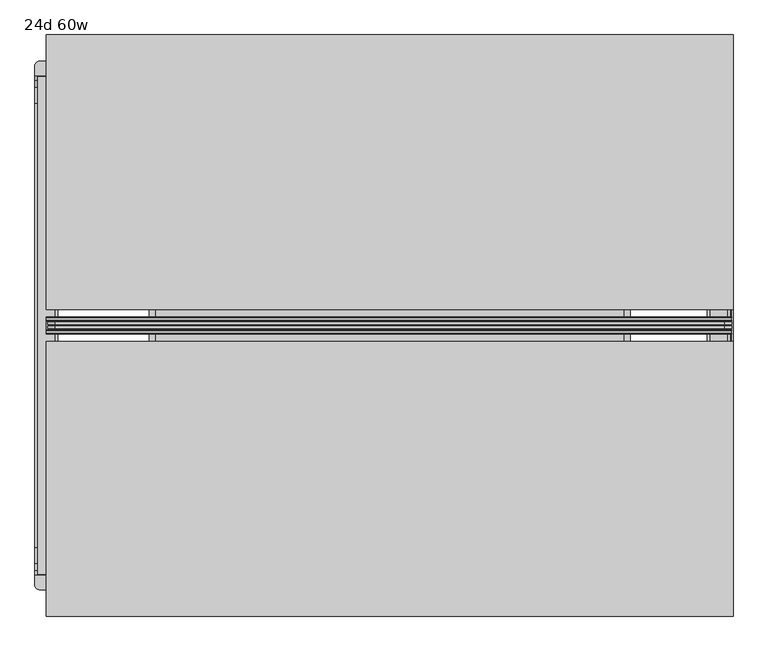
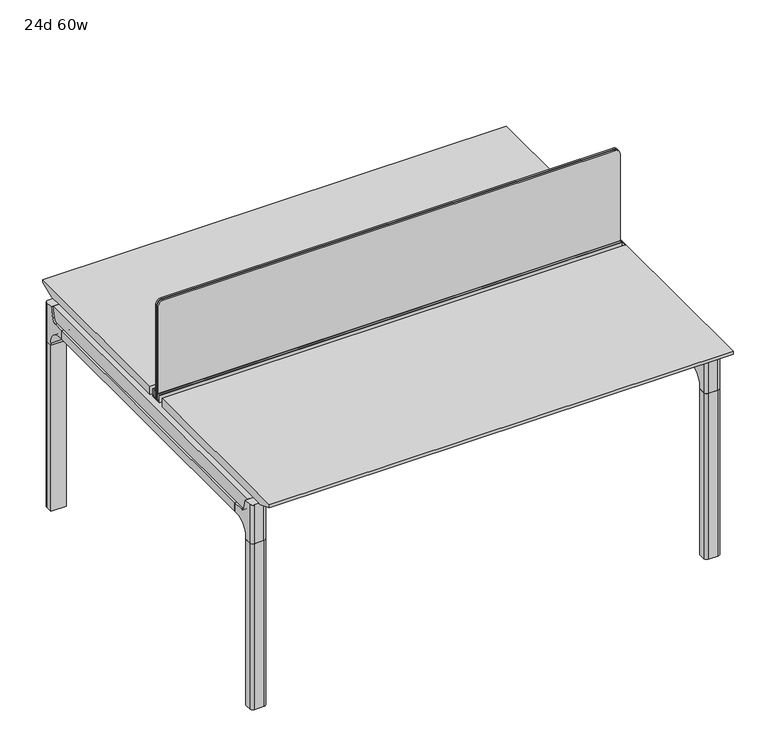
"""IFC4 building model written with IfcOpenShell, lengths in millimetres: furniture geometry, 24d 60w."""

from ifc_helpers import new_model, si_unit, point, frame, frame_2d, origin, place, context, project, spatial, polyline, circle_curve, trimmed, segment, composite_curve, outline, extrude, source, transform, mapped, element, save
from ifc_brep_helpers import plane_surface, cylinder_surface, revolved_surface, advanced_brep


def furniture_24d_60w_1c8fc8bb(model_context):
    return source(origin(), model_context, "Body", "SolidModel", [
        extrude(outline(composite_curve([segment(polyline([(1054.89375, 955.675), (1054.89375, -523.875)]), True, "CONTINUOUS"), segment(trimmed(circle_curve(frame_2d((1039.01875, -523.875)), 15.875), [point((1054.89375, -523.875))], [point((1039.01875, -539.75))], False, "CARTESIAN"), True, "CONTINUOUS"), segment(polyline([(1039.01875, -539.75), (720.725, -539.75), (720.725, 971.55), (1039.01875, 971.55)]), True, "CONTINUOUS"), segment(trimmed(circle_curve(frame_2d((1039.01875, 955.675)), 15.875), [point((1039.01875, 971.55))], [point((1054.89375, 955.675))], False, "CARTESIAN"), True, "CONTINUOUS")], self_intersect=False)), frame((0.0, -201.3409766, 0.0), z_axis=(0.0, 1.0, 0.0), x_axis=(0.0, 0.0, 1.0)), (0.0, 0.0, 1.0), 3.175),
        extrude(outline(composite_curve([segment(polyline([(1058.06875, 958.85), (1058.06875, -527.05)]), True, "CONTINUOUS"), segment(trimmed(circle_curve(frame_2d((1042.19375, -527.05)), 15.875), [point((1058.06875, -527.05))], [point((1042.19375, -542.925))], False, "CARTESIAN"), True, "CONTINUOUS"), segment(polyline([(1042.19375, -542.925), (717.55, -542.925), (717.55, 974.725), (1042.19375, 974.725)]), True, "CONTINUOUS"), segment(trimmed(circle_curve(frame_2d((1042.19375, 958.85)), 15.875), [point((1042.19375, 974.725))], [point((1058.06875, 958.85))], False, "CARTESIAN"), True, "CONTINUOUS")], self_intersect=False)), frame((0.0, -198.1659766, 0.0), z_axis=(0.0, 1.0, 0.0), x_axis=(0.0, 0.0, 1.0)), (0.0, 0.0, 1.0), 5.55625),
        extrude(outline(composite_curve([segment(polyline([(1058.06875, 958.85), (1058.06875, -527.05)]), True, "CONTINUOUS"), segment(trimmed(circle_curve(frame_2d((1042.19375, -527.05)), 15.875), [point((1058.06875, -527.05))], [point((1042.19375, -542.925))], False, "CARTESIAN"), True, "CONTINUOUS"), segment(polyline([(1042.19375, -542.925), (717.55, -542.925), (717.55, 974.725), (1042.19375, 974.725)]), True, "CONTINUOUS"), segment(trimmed(circle_curve(frame_2d((1042.19375, 958.85)), 15.875), [point((1042.19375, 974.725))], [point((1058.06875, 958.85))], False, "CARTESIAN"), True, "CONTINUOUS")], self_intersect=False)), frame((0.0, -206.8972266, 0.0), z_axis=(0.0, 1.0, 0.0), x_axis=(0.0, 0.0, 1.0)), (0.0, 0.0, 1.0), 5.55625),
        extrude(outline(polyline([(-348.9784469, 559.4636683), (-364.040663, 627.7843353), (-35.4662901, 627.7843353), (-50.5285062, 559.4636683), (-46.7502281, 557.2647146), (-46.7502281, 549.3667827), (-62.6252238, 521.8704736), (-336.8817293, 521.8704736), (-352.756725, 549.3667827), (-352.756725, 557.2647146), (-348.9784469, 559.4636683)])), frame((736.6, 0.0, 0.0), z_axis=(1.0, 0.0, 0.0), x_axis=(0.0, 1.0, 0.0)), (0.0, 0.0, 1.0), 12.7),
        extrude(outline(polyline([(-348.9784469, 559.4636683), (-364.040663, 627.7843353), (-35.4662901, 627.7843353), (-50.5285062, 559.4636683), (-46.7502281, 557.2647146), (-46.7502281, 549.3667827), (-62.6252238, 521.8704736), (-336.8817293, 521.8704736), (-352.756725, 549.3667827), (-352.756725, 557.2647146), (-348.9784469, 559.4636683)])), frame((-317.5, 0.0, 0.0), z_axis=(1.0, 0.0, 0.0), x_axis=(0.0, 1.0, 0.0)), (0.0, 0.0, 1.0), 12.7),
        extrude(outline(polyline([(-18.0090763, 698.5), (3.7767266, 698.5), (3.7767266, 697.2935087), (-17.4495292, 697.2935087), (-19.0070753, 695.7359626), (-49.1186716, 559.1528512), (-50.5285062, 559.4636683), (-20.404074, 696.1050023), (-18.0090763, 698.5)])), frame((-317.5, 0.0, 0.0), z_axis=(1.0, 0.0, 0.0), x_axis=(0.0, 1.0, 0.0)), (0.0, 0.0, 1.0), 31.8008024),
        extrude(outline(polyline([(-381.4978768, 698.5), (-379.1028791, 696.1050023), (-348.9784469, 559.4636683), (-350.3882815, 559.1528512), (-380.4998778, 695.7359626), (-382.0574239, 697.2935087), (-403.2836797, 697.2935087), (-403.2836797, 698.5), (-381.4978768, 698.5)])), frame((-317.5, 0.0, 0.0), z_axis=(1.0, 0.0, 0.0), x_axis=(0.0, 1.0, 0.0)), (0.0, 0.0, 1.0), 31.8008024),
        extrude(outline(polyline([(-18.0090763, 698.5), (3.7767266, 698.5), (3.7767266, 697.2935087), (-17.4495292, 697.2935087), (-19.0070753, 695.7359626), (-49.1186716, 559.1528512), (-50.5285062, 559.4636683), (-20.404074, 696.1050023), (-18.0090763, 698.5)])), frame((717.4991976, 0.0, 0.0), z_axis=(1.0, 0.0, 0.0), x_axis=(0.0, 1.0, 0.0)), (0.0, 0.0, 1.0), 31.8008024),
        extrude(outline(polyline([(-381.4978768, 698.5), (-379.1028791, 696.1050023), (-348.9784469, 559.4636683), (-350.3882815, 559.1528512), (-380.4998778, 695.7359626), (-382.0574239, 697.2935087), (-403.2836797, 697.2935087), (-403.2836797, 698.5), (-381.4978768, 698.5)])), frame((717.4991976, 0.0, 0.0), z_axis=(1.0, 0.0, 0.0), x_axis=(0.0, 1.0, 0.0)), (0.0, 0.0, 1.0), 31.8008024),
        extrude(outline(polyline([(-353.550475, 557.5934966), (-351.518477, 559.6254947), (-350.957211, 559.0642287), (-352.756725, 557.2647146), (-352.756725, 549.3667827), (-352.5317745, 548.5272622), (-337.4390802, 522.3859395), (-336.0037101, 521.5572272), (-63.503243, 521.5572272), (-62.0678729, 522.3859395), (-46.9751786, 548.5272622), (-46.7502281, 549.3667827), (-46.7502281, 557.2647146), (-48.5497421, 559.0642287), (-47.9884761, 559.6254947), (-45.9564781, 557.5934966), (-45.9564781, 549.2622828), (-46.2355217, 548.2208856), (-61.4868074, 521.8048744), (-63.2905581, 520.7634772), (-336.216395, 520.7634772), (-338.0201457, 521.8048744), (-353.2714314, 548.2208856), (-353.550475, 549.2622828), (-353.550475, 557.5934966)])), frame((-317.4492037, 0.0, 0.0), z_axis=(1.0, 0.0, 0.0), x_axis=(0.0, 1.0, 0.0)), (0.0, 0.0, 1.0), 1066.7492037),
        extrude(outline(polyline([(-218.8034766, 715.9625), (-218.8034766, 741.3625), (-217.2159766, 741.3625), (-217.2159766, 720.725), (-210.8659766, 720.725), (-210.8659766, 741.3625), (-209.2784766, 741.3625), (-209.2784766, 717.55), (-190.2284766, 717.55), (-190.2284766, 741.3625), (-188.6409766, 741.3625), (-188.6409766, 720.725), (-182.2909766, 720.725), (-182.2909766, 741.3625), (-180.7034766, 741.3625), (-180.7034766, 715.9625), (-218.8034766, 715.9625)])), frame((-546.1, 0.0, 0.0), z_axis=(1.0, 0.0, 0.0), x_axis=(0.0, 1.0, 0.0)), (0.0, 0.0, 1.0), 1520.825),
        extrude(outline(composite_curve([segment(polyline([(353.4902734, 711.2), (344.4321726, 677.3947076)]), True, "CONTINUOUS"), segment(trimmed(circle_curve(frame_2d((329.0981001, 681.5034599)), 15.875), [point((344.4321726, 677.3947076))], [point((329.0981001, 665.6284599))], False, "CARTESIAN"), True, "CONTINUOUS"), segment(polyline([(329.0981001, 665.6284599), (-728.6050533, 665.6284599)]), True, "CONTINUOUS"), segment(trimmed(circle_curve(frame_2d((-728.6050533, 681.5034599)), 15.875), [point((-728.6050533, 665.6284599))], [point((-743.9391258, 677.3947076))], False, "CARTESIAN"), True, "CONTINUOUS"), segment(polyline([(-743.9391258, 677.3947076), (-752.9972266, 711.2), (353.4902734, 711.2)]), True, "CONTINUOUS")], self_intersect=False)), frame((927.1, 0.0, 0.0), z_axis=(1.0, 0.0, 0.0), x_axis=(0.0, 1.0, 0.0)), (0.0, 0.0, 1.0), 38.1),
        extrude(outline(polyline([(971.55, 293.1652734), (971.55, -692.6722266), (920.75, -692.6722266), (920.75, 293.1652734), (971.55, 293.1652734)])), frame((0.0, 0.0, 635.6476591), z_axis=(0.0, 0.0, 1.0), x_axis=(1.0, 0.0, 0.0)), (0.0, 0.0, 1.0), 29.9808008),
        extrude(outline(composite_curve([segment(polyline([(353.4902734, 711.2), (344.4321726, 677.3947076)]), True, "CONTINUOUS"), segment(trimmed(circle_curve(frame_2d((329.0981001, 681.5034599)), 15.875), [point((344.4321726, 677.3947076))], [point((329.0981001, 665.6284599))], False, "CARTESIAN"), True, "CONTINUOUS"), segment(polyline([(329.0981001, 665.6284599), (-728.6050533, 665.6284599)]), True, "CONTINUOUS"), segment(trimmed(circle_curve(frame_2d((-728.6050533, 681.5034599)), 15.875), [point((-728.6050533, 665.6284599))], [point((-743.9391258, 677.3947076))], False, "CARTESIAN"), True, "CONTINUOUS"), segment(polyline([(-743.9391258, 677.3947076), (-752.9972266, 711.2), (353.4902734, 711.2)]), True, "CONTINUOUS")], self_intersect=False)), frame((-565.15, 0.0, 0.0), z_axis=(1.0, 0.0, 0.0), x_axis=(0.0, 1.0, 0.0)), (0.0, 0.0, 1.0), 38.1),
        extrude(outline(polyline([(-520.7, 293.1652734), (-520.7, -692.6722266), (-571.5, -692.6722266), (-571.5, 293.1652734), (-520.7, 293.1652734)])), frame((0.0, 0.0, 635.6476591), z_axis=(0.0, 0.0, 1.0), x_axis=(1.0, 0.0, 0.0)), (0.0, 0.0, 1.0), 29.9808008),
        advanced_brep(
        [(971.55, 353.5366022, 711.2), (971.55, 344.4785014, 677.3947076), (971.55, 329.1444289, 665.6284599), (971.55, 293.1652734, 665.6284599), (971.55, 293.1652734, 635.6476591), (971.55, 304.2777734, 635.6476591), (971.55, 355.0777734, 584.8476591), (971.55, 355.0777734, 576.659375), (971.55, 377.3027734, 576.659375), (971.55, 377.3027734, 711.2), (920.75, 355.0777734, 576.659375), (920.75, 355.0777734, 584.8476591), (920.75, 304.2777734, 635.6476591), (920.75, 293.1652734, 635.6476591), (920.75, 293.1652734, 665.6284599), (920.75, 329.1444289, 665.6284599), (920.75, 344.4785014, 677.3947076), (920.75, 353.5366022, 711.2), (920.75, 377.3027734, 711.2), (920.75, 377.3027734, 576.659375), (962.025, 386.8277734, 711.2), (930.275, 386.8277734, 711.2), (930.275, 386.8277734, 576.659375), (962.025, 386.8277734, 576.659375)],
        [
            (0, 1),
            (1, 2, circle_curve(frame((971.55, 329.1444289, 681.5034599), z_axis=(-1.0, 0.0, 0.0), x_axis=(0.0, 1.0, 0.0)), 15.875)),
            (2, 3),
            (3, 4),
            (4, 5),
            (5, 6, circle_curve(frame((971.55, 304.2777734, 584.8476591), z_axis=(-1.0, 0.0, 0.0), x_axis=(0.0, 1.0, 0.0)), 50.8)),
            (6, 7),
            (7, 8),
            (8, 9),
            (9, 0),
            (10, 11),
            (11, 12, circle_curve(frame((920.75, 304.2777734, 584.8476591), z_axis=(1.0, 0.0, 0.0), x_axis=(0.0, 1.0, 0.0)), 50.8)),
            (12, 13),
            (13, 14),
            (14, 15),
            (15, 16, circle_curve(frame((920.75, 329.1444289, 681.5034599), z_axis=(1.0, 0.0, 0.0), x_axis=(0.0, 1.0, 0.0)), 15.875)),
            (16, 17),
            (17, 18),
            (18, 19),
            (19, 10),
            (17, 0),
            (9, 20, circle_curve(frame((962.025, 377.3027734, 711.2), z_axis=(0.0, 0.0, 1.0), x_axis=(-1.0, 0.0, 0.0)), 9.525)),
            (20, 21),
            (21, 18, circle_curve(frame((930.275, 377.3027734, 711.2), z_axis=(0.0, 0.0, 1.0), x_axis=(-1.0, 0.0, 0.0)), 9.525)),
            (16, 1),
            (15, 2),
            (14, 3),
            (13, 4),
            (12, 5),
            (7, 10),
            (19, 22, circle_curve(frame((930.275, 377.3027734, 576.659375), z_axis=(0.0, 0.0, -1.0), x_axis=(-1.0, 0.0, 0.0)), 9.525)),
            (22, 23),
            (23, 8, circle_curve(frame((962.025, 377.3027734, 576.659375), z_axis=(0.0, 0.0, -1.0), x_axis=(-1.0, 0.0, 0.0)), 9.525)),
            (11, 6),
            (23, 20),
            (21, 22),
        ],
        [
            plane_surface(frame((971.55, 393.754303, 711.2), z_axis=(1.0, 0.0, 0.0), x_axis=(0.0, -1.0, 0.0))),
            plane_surface(frame((920.75, 393.754303, 711.2), z_axis=(-1.0, 0.0, 0.0), x_axis=(0.0, 1.0, 0.0))),
            plane_surface(frame((971.55, 393.754303, 711.2), z_axis=(0.0, 0.0, 1.0), x_axis=(-1.0, 0.0, 0.0))),
            plane_surface(frame((971.55, 353.5366022, 711.2), z_axis=(0.0, -0.9659258262890683, 0.2588190451025207), x_axis=(-1.0, 0.0, 0.0))),
            revolved_surface(polyline([(920.75, 345.0194289, 681.5034599), (971.55, 345.0194289, 681.5034599)]), (920.75, 329.1444289, 681.5034599), (-1.0, 0.0, 0.0)),
            plane_surface(frame((971.55, 329.1444289, 665.6284599), z_axis=(0.0, 0.0, 1.0), x_axis=(-1.0, 0.0, 0.0))),
            plane_surface(frame((971.55, 293.1652734, 665.6284599), z_axis=(0.0, -1.0, 0.0), x_axis=(-1.0, 0.0, 0.0))),
            plane_surface(frame((971.55, 293.1652734, 635.6476591), z_axis=(0.0, 0.0, -1.0), x_axis=(-1.0, 0.0, 0.0))),
            plane_surface(frame((971.55, 355.0777734, 576.659375), z_axis=(0.0, 0.0, -1.0), x_axis=(-1.0, 0.0, 0.0))),
            revolved_surface(polyline([(920.75, 355.0777734, 584.8476591), (971.55, 355.0777734, 584.8476591)]), (920.75, 304.2777734, 584.8476591), (-1.0, 0.0, 0.0)),
            plane_surface(frame((971.55, 355.0777734, 584.8476591), z_axis=(0.0, -1.0, 0.0), x_axis=(-1.0, 0.0, 0.0))),
            cylinder_surface(frame((962.025, 377.3027734, 524.9807374), z_axis=(0.0, 0.0, -1.0), x_axis=(-1.0, 0.0, 0.0)), 9.525),
            cylinder_surface(frame((930.275, 377.3027734, 524.9807374), z_axis=(0.0, 0.0, -1.0), x_axis=(-1.0, 0.0, 0.0)), 9.525),
            plane_surface(frame((930.275, 386.8277734, 711.2), z_axis=(0.0, 1.0, 0.0), x_axis=(0.0, 0.0, -1.0))),
        ],
        [
            (0, [[1, 2, 3, 4, 5, 6, 7, 8, 9, 10]]),
            (1, [[11, 12, 13, 14, 15, 16, 17, 18, 19, 20]]),
            (2, [[21, -10, 22, 23, 24, -18]]),
            (3, [[-1, -21, -17, 25]]),
            (4, [[-2, -25, -16, 26]]),
            (5, [[-3, -26, -15, 27]]),
            (6, [[-4, -27, -14, 28]]),
            (7, [[-5, -28, -13, 29]]),
            (8, [[30, -20, 31, 32, 33, -8]]),
            (9, [[-6, -29, -12, 34]]),
            (10, [[-7, -34, -11, -30]]),
            (11, [[35, -22, -9, -33]]),
            (12, [[36, -31, -19, -24]]),
            (13, [[-35, -32, -36, -23]]),
        ],
    ),
        advanced_brep(
        [(920.75, 355.0777734, 576.659375), (971.55, 355.0777734, 576.659375), (971.55, 377.3027734, 576.659375), (962.025, 386.8277734, 576.659375), (930.275, 386.8277734, 576.659375), (920.75, 377.3027734, 576.659375), (920.75, 355.0777734, 0.0), (920.75, 377.3027734, 0.0), (930.275, 386.8277734, 0.0), (962.025, 386.8277734, 0.0), (971.55, 377.3027734, 0.0), (971.55, 355.0777734, 0.0), (971.55, 377.3027734, 524.9807374), (962.025, 386.8277734, 524.9807374), (930.275, 386.8277734, 524.9807374), (920.75, 377.3027734, 524.9807374)],
        [
            (0, 1),
            (1, 2),
            (2, 3, circle_curve(frame((962.025, 377.3027734, 576.659375), z_axis=(0.0, 0.0, 1.0), x_axis=(-1.0, 0.0, 0.0)), 9.525)),
            (3, 4),
            (4, 5, circle_curve(frame((930.275, 377.3027734, 576.659375), z_axis=(0.0, 0.0, 1.0), x_axis=(-1.0, 0.0, 0.0)), 9.525)),
            (5, 0),
            (6, 7),
            (7, 8, circle_curve(frame((930.275, 377.3027734, 0.0), z_axis=(0.0, 0.0, -1.0), x_axis=(-1.0, 0.0, 0.0)), 9.525)),
            (8, 9),
            (9, 10, circle_curve(frame((962.025, 377.3027734, 0.0), z_axis=(0.0, 0.0, -1.0), x_axis=(-1.0, 0.0, 0.0)), 9.525)),
            (10, 11),
            (11, 6),
            (0, 6),
            (11, 1),
            (10, 12),
            (12, 2),
            (9, 13),
            (13, 3),
            (8, 14),
            (14, 4),
            (7, 15),
            (15, 5),
        ],
        [
            plane_surface(frame((978.7462903, 355.0777734, 576.659375), z_axis=(0.0, 0.0, 1.0), x_axis=(1.0, 0.0, 0.0))),
            plane_surface(frame((978.7462903, 355.0777734, 0.0), z_axis=(0.0, 0.0, -1.0), x_axis=(-1.0, 0.0, 0.0))),
            plane_surface(frame((920.75, 355.0777734, 576.659375), z_axis=(0.0, -1.0, 0.0), x_axis=(0.0, 0.0, -1.0))),
            plane_surface(frame((971.55, 355.0777734, 576.659375), z_axis=(1.0, 0.0, 0.0), x_axis=(0.0, 0.0, -1.0))),
            cylinder_surface(frame((962.025, 377.3027734, 0.0), z_axis=(0.0, 0.0, 1.0), x_axis=(-1.0, 0.0, 0.0)), 9.525),
            plane_surface(frame((962.025, 386.8277734, 576.659375), z_axis=(0.0, 1.0, 0.0), x_axis=(0.0, 0.0, -1.0))),
            cylinder_surface(frame((930.275, 377.3027734, 0.0), z_axis=(0.0, 0.0, 1.0), x_axis=(-1.0, 0.0, 0.0)), 9.525),
            plane_surface(frame((920.75, 377.3027734, 576.659375), z_axis=(-1.0, 0.0, 0.0), x_axis=(0.0, 0.0, -1.0))),
        ],
        [
            (0, [[1, 2, 3, 4, 5, 6]]),
            (1, [[7, 8, 9, 10, 11, 12]]),
            (2, [[-1, 13, -12, 14]]),
            (3, [[-2, -14, -11, 15, 16]]),
            (4, [[-3, -16, -15, -10, 17, 18]]),
            (5, [[-4, -18, -17, -9, 19, 20]]),
            (6, [[-5, -20, -19, -8, 21, 22]]),
            (7, [[-6, -22, -21, -7, -13]]),
        ],
    ),
        advanced_brep(
        [(920.75, -753.0435553, 711.2), (920.75, -743.9854545, 677.3947076), (920.75, -728.651382, 665.6284599), (920.75, -692.6722266, 665.6284599), (920.75, -692.6722266, 635.6476591), (920.75, -703.7847266, 635.6476591), (920.75, -754.5847266, 584.8476591), (920.75, -754.5847266, 576.659375), (920.75, -776.8097266, 576.659375), (920.75, -776.8097266, 711.2), (971.55, -754.5847266, 576.659375), (971.55, -754.5847266, 584.8476591), (971.55, -703.7847266, 635.6476591), (971.55, -692.6722266, 635.6476591), (971.55, -692.6722266, 665.6284599), (971.55, -728.651382, 665.6284599), (971.55, -743.9854545, 677.3947076), (971.55, -753.0435553, 711.2), (971.55, -776.8097266, 711.2), (971.55, -776.8097266, 576.659375), (930.275, -786.3347266, 711.2), (962.025, -786.3347266, 711.2), (962.025, -786.3347266, 576.659375), (930.275, -786.3347266, 576.659375)],
        [
            (0, 1),
            (1, 2, circle_curve(frame((920.75, -728.651382, 681.5034599), z_axis=(1.0, 0.0, 0.0), x_axis=(0.0, -1.0, 0.0)), 15.875)),
            (2, 3),
            (3, 4),
            (4, 5),
            (5, 6, circle_curve(frame((920.75, -703.7847266, 584.8476591), z_axis=(1.0, 0.0, 0.0), x_axis=(0.0, -1.0, 0.0)), 50.8)),
            (6, 7),
            (7, 8),
            (8, 9),
            (9, 0),
            (10, 11),
            (11, 12, circle_curve(frame((971.55, -703.7847266, 584.8476591), z_axis=(-1.0, 0.0, 0.0), x_axis=(0.0, -1.0, 0.0)), 50.8)),
            (12, 13),
            (13, 14),
            (14, 15),
            (15, 16, circle_curve(frame((971.55, -728.651382, 681.5034599), z_axis=(-1.0, 0.0, 0.0), x_axis=(0.0, -1.0, 0.0)), 15.875)),
            (16, 17),
            (17, 18),
            (18, 19),
            (19, 10),
            (17, 0),
            (9, 20, circle_curve(frame((930.275, -776.8097266, 711.2), z_axis=(0.0, 0.0, 1.0), x_axis=(1.0, 0.0, 0.0)), 9.525)),
            (20, 21),
            (21, 18, circle_curve(frame((962.025, -776.8097266, 711.2), z_axis=(0.0, 0.0, 1.0), x_axis=(1.0, 0.0, 0.0)), 9.525)),
            (16, 1),
            (15, 2),
            (14, 3),
            (13, 4),
            (12, 5),
            (7, 10),
            (19, 22, circle_curve(frame((962.025, -776.8097266, 576.659375), z_axis=(0.0, 0.0, -1.0), x_axis=(1.0, 0.0, 0.0)), 9.525)),
            (22, 23),
            (23, 8, circle_curve(frame((930.275, -776.8097266, 576.659375), z_axis=(0.0, 0.0, -1.0), x_axis=(1.0, 0.0, 0.0)), 9.525)),
            (11, 6),
            (23, 20),
            (21, 22),
        ],
        [
            plane_surface(frame((920.75, -793.2612561, 711.2), z_axis=(-1.0, 0.0, 0.0), x_axis=(0.0, 1.0, 0.0))),
            plane_surface(frame((971.55, -793.2612561, 711.2), z_axis=(1.0, 0.0, 0.0), x_axis=(0.0, -1.0, 0.0))),
            plane_surface(frame((920.75, -793.2612561, 711.2), z_axis=(0.0, 0.0, 1.0), x_axis=(1.0, 0.0, 0.0))),
            plane_surface(frame((920.75, -753.0435553, 711.2), z_axis=(0.0, 0.9659258262890683, 0.2588190451025207), x_axis=(1.0, 0.0, 0.0))),
            revolved_surface(polyline([(971.55, -744.526382, 681.5034599), (920.75, -744.526382, 681.5034599)]), (971.55, -728.651382, 681.5034599), (1.0, 0.0, 0.0)),
            plane_surface(frame((920.75, -728.651382, 665.6284599), z_axis=(0.0, 0.0, 1.0), x_axis=(1.0, 0.0, 0.0))),
            plane_surface(frame((920.75, -692.6722266, 665.6284599), z_axis=(0.0, 1.0, 0.0), x_axis=(1.0, 0.0, 0.0))),
            plane_surface(frame((920.75, -692.6722266, 635.6476591), z_axis=(0.0, 0.0, -1.0), x_axis=(1.0, 0.0, 0.0))),
            plane_surface(frame((920.75, -754.5847266, 576.659375), z_axis=(0.0, 0.0, -1.0), x_axis=(1.0, 0.0, 0.0))),
            revolved_surface(polyline([(971.55, -754.5847266, 584.8476591), (920.75, -754.5847266, 584.8476591)]), (971.55, -703.7847266, 584.8476591), (1.0, 0.0, 0.0)),
            plane_surface(frame((920.75, -754.5847266, 584.8476591), z_axis=(0.0, 1.0, 0.0), x_axis=(1.0, 0.0, 0.0))),
            cylinder_surface(frame((930.275, -776.8097266, 524.9807374), z_axis=(0.0, 0.0, -1.0), x_axis=(1.0, 0.0, 0.0)), 9.525),
            cylinder_surface(frame((962.025, -776.8097266, 524.9807374), z_axis=(0.0, 0.0, -1.0), x_axis=(1.0, 0.0, 0.0)), 9.525),
            plane_surface(frame((962.025, -786.3347266, 711.2), z_axis=(0.0, -1.0, 0.0), x_axis=(0.0, 0.0, -1.0))),
        ],
        [
            (0, [[1, 2, 3, 4, 5, 6, 7, 8, 9, 10]]),
            (1, [[11, 12, 13, 14, 15, 16, 17, 18, 19, 20]]),
            (2, [[21, -10, 22, 23, 24, -18]]),
            (3, [[-1, -21, -17, 25]]),
            (4, [[-2, -25, -16, 26]]),
            (5, [[-3, -26, -15, 27]]),
            (6, [[-4, -27, -14, 28]]),
            (7, [[-5, -28, -13, 29]]),
            (8, [[30, -20, 31, 32, 33, -8]]),
            (9, [[-6, -29, -12, 34]]),
            (10, [[-7, -34, -11, -30]]),
            (11, [[35, -22, -9, -33]]),
            (12, [[36, -31, -19, -24]]),
            (13, [[-35, -32, -36, -23]]),
        ],
    ),
        advanced_brep(
        [(971.55, -754.5847266, 576.659375), (920.75, -754.5847266, 576.659375), (920.75, -776.8097266, 576.659375), (930.275, -786.3347266, 576.659375), (962.025, -786.3347266, 576.659375), (971.55, -776.8097266, 576.659375), (971.55, -754.5847266, 0.0), (971.55, -776.8097266, 0.0), (962.025, -786.3347266, 0.0), (930.275, -786.3347266, 0.0), (920.75, -776.8097266, 0.0), (920.75, -754.5847266, 0.0), (920.75, -776.8097266, 524.9807374), (930.275, -786.3347266, 524.9807374), (962.025, -786.3347266, 524.9807374), (971.55, -776.8097266, 524.9807374)],
        [
            (0, 1),
            (1, 2),
            (2, 3, circle_curve(frame((930.275, -776.8097266, 576.659375), z_axis=(0.0, 0.0, 1.0), x_axis=(1.0, 0.0, 0.0)), 9.525)),
            (3, 4),
            (4, 5, circle_curve(frame((962.025, -776.8097266, 576.659375), z_axis=(0.0, 0.0, 1.0), x_axis=(1.0, 0.0, 0.0)), 9.525)),
            (5, 0),
            (6, 7),
            (7, 8, circle_curve(frame((962.025, -776.8097266, 0.0), z_axis=(0.0, 0.0, -1.0), x_axis=(1.0, 0.0, 0.0)), 9.525)),
            (8, 9),
            (9, 10, circle_curve(frame((930.275, -776.8097266, 0.0), z_axis=(0.0, 0.0, -1.0), x_axis=(1.0, 0.0, 0.0)), 9.525)),
            (10, 11),
            (11, 6),
            (0, 6),
            (11, 1),
            (10, 12),
            (12, 2),
            (9, 13),
            (13, 3),
            (8, 14),
            (14, 4),
            (7, 15),
            (15, 5),
        ],
        [
            plane_surface(frame((913.5537097, -754.5847266, 576.659375), z_axis=(0.0, 0.0, 1.0), x_axis=(-1.0, 0.0, 0.0))),
            plane_surface(frame((913.5537097, -754.5847266, 0.0), z_axis=(0.0, 0.0, -1.0), x_axis=(1.0, 0.0, 0.0))),
            plane_surface(frame((971.55, -754.5847266, 576.659375), z_axis=(0.0, 1.0, 0.0), x_axis=(0.0, 0.0, -1.0))),
            plane_surface(frame((920.75, -754.5847266, 576.659375), z_axis=(-1.0, 0.0, 0.0), x_axis=(0.0, 0.0, -1.0))),
            cylinder_surface(frame((930.275, -776.8097266, 0.0), z_axis=(0.0, 0.0, 1.0), x_axis=(1.0, 0.0, 0.0)), 9.525),
            plane_surface(frame((930.275, -786.3347266, 576.659375), z_axis=(0.0, -1.0, 0.0), x_axis=(0.0, 0.0, -1.0))),
            cylinder_surface(frame((962.025, -776.8097266, 0.0), z_axis=(0.0, 0.0, 1.0), x_axis=(1.0, 0.0, 0.0)), 9.525),
            plane_surface(frame((971.55, -776.8097266, 576.659375), z_axis=(1.0, 0.0, 0.0), x_axis=(0.0, 0.0, -1.0))),
        ],
        [
            (0, [[1, 2, 3, 4, 5, 6]]),
            (1, [[7, 8, 9, 10, 11, 12]]),
            (2, [[-1, 13, -12, 14]]),
            (3, [[-2, -14, -11, 15, 16]]),
            (4, [[-3, -16, -15, -10, 17, 18]]),
            (5, [[-4, -18, -17, -9, 19, 20]]),
            (6, [[-5, -20, -19, -8, 21, 22]]),
            (7, [[-6, -22, -21, -7, -13]]),
        ],
    ),
        advanced_brep(
        [(-520.7, 353.5366022, 711.2), (-520.7, 344.4785014, 677.3947076), (-520.7, 329.1444289, 665.6284599), (-520.7, 293.1652734, 665.6284599), (-520.7, 293.1652734, 635.6476591), (-520.7, 304.2777734, 635.6476591), (-520.7, 355.0777734, 584.8476591), (-520.7, 355.0777734, 576.659375), (-520.7, 377.3027734, 576.659375), (-520.7, 377.3027734, 711.2), (-571.5, 355.0777734, 576.659375), (-571.5, 355.0777734, 584.8476591), (-571.5, 304.2777734, 635.6476591), (-571.5, 293.1652734, 635.6476591), (-571.5, 293.1652734, 665.6284599), (-571.5, 329.1444289, 665.6284599), (-571.5, 344.4785014, 677.3947076), (-571.5, 353.5366022, 711.2), (-571.5, 377.3027734, 711.2), (-571.5, 377.3027734, 576.659375), (-530.225, 386.8277734, 711.2), (-561.975, 386.8277734, 711.2), (-561.975, 386.8277734, 576.659375), (-530.225, 386.8277734, 576.659375)],
        [
            (0, 1),
            (1, 2, circle_curve(frame((-520.7, 329.1444289, 681.5034599), z_axis=(-1.0, 0.0, 0.0), x_axis=(0.0, 1.0, 0.0)), 15.875)),
            (2, 3),
            (3, 4),
            (4, 5),
            (5, 6, circle_curve(frame((-520.7, 304.2777734, 584.8476591), z_axis=(-1.0, 0.0, 0.0), x_axis=(0.0, 1.0, 0.0)), 50.8)),
            (6, 7),
            (7, 8),
            (8, 9),
            (9, 0),
            (10, 11),
            (11, 12, circle_curve(frame((-571.5, 304.2777734, 584.8476591), z_axis=(1.0, 0.0, 0.0), x_axis=(0.0, 1.0, 0.0)), 50.8)),
            (12, 13),
            (13, 14),
            (14, 15),
            (15, 16, circle_curve(frame((-571.5, 329.1444289, 681.5034599), z_axis=(1.0, 0.0, 0.0), x_axis=(0.0, 1.0, 0.0)), 15.875)),
            (16, 17),
            (17, 18),
            (18, 19),
            (19, 10),
            (17, 0),
            (9, 20, circle_curve(frame((-530.225, 377.3027734, 711.2), z_axis=(0.0, 0.0, 1.0), x_axis=(-1.0, 0.0, 0.0)), 9.525)),
            (20, 21),
            (21, 18, circle_curve(frame((-561.975, 377.3027734, 711.2), z_axis=(0.0, 0.0, 1.0), x_axis=(-1.0, 0.0, 0.0)), 9.525)),
            (16, 1),
            (15, 2),
            (14, 3),
            (13, 4),
            (12, 5),
            (7, 10),
            (19, 22, circle_curve(frame((-561.975, 377.3027734, 576.659375), z_axis=(0.0, 0.0, -1.0), x_axis=(-1.0, 0.0, 0.0)), 9.525)),
            (22, 23),
            (23, 8, circle_curve(frame((-530.225, 377.3027734, 576.659375), z_axis=(0.0, 0.0, -1.0), x_axis=(-1.0, 0.0, 0.0)), 9.525)),
            (11, 6),
            (23, 20),
            (21, 22),
        ],
        [
            plane_surface(frame((-520.7, 393.754303, 711.2), z_axis=(1.0, 0.0, 0.0), x_axis=(0.0, -1.0, 0.0))),
            plane_surface(frame((-571.5, 393.754303, 711.2), z_axis=(-1.0, 0.0, 0.0), x_axis=(0.0, 1.0, 0.0))),
            plane_surface(frame((-520.7, 393.754303, 711.2), z_axis=(0.0, 0.0, 1.0), x_axis=(-1.0, 0.0, 0.0))),
            plane_surface(frame((-520.7, 353.5366022, 711.2), z_axis=(0.0, -0.9659258262890683, 0.2588190451025207), x_axis=(-1.0, 0.0, 0.0))),
            revolved_surface(polyline([(-571.5, 345.0194289, 681.5034599), (-520.7, 345.0194289, 681.5034599)]), (-571.5, 329.1444289, 681.5034599), (-1.0, 0.0, 0.0)),
            plane_surface(frame((-520.7, 329.1444289, 665.6284599), z_axis=(0.0, 0.0, 1.0), x_axis=(-1.0, 0.0, 0.0))),
            plane_surface(frame((-520.7, 293.1652734, 665.6284599), z_axis=(0.0, -1.0, 0.0), x_axis=(-1.0, 0.0, 0.0))),
            plane_surface(frame((-520.7, 293.1652734, 635.6476591), z_axis=(0.0, 0.0, -1.0), x_axis=(-1.0, 0.0, 0.0))),
            plane_surface(frame((-520.7, 355.0777734, 576.659375), z_axis=(0.0, 0.0, -1.0), x_axis=(-1.0, 0.0, 0.0))),
            revolved_surface(polyline([(-571.5, 355.0777734, 584.8476591), (-520.7, 355.0777734, 584.8476591)]), (-571.5, 304.2777734, 584.8476591), (-1.0, 0.0, 0.0)),
            plane_surface(frame((-520.7, 355.0777734, 584.8476591), z_axis=(0.0, -1.0, 0.0), x_axis=(-1.0, 0.0, 0.0))),
            cylinder_surface(frame((-530.225, 377.3027734, 524.9807374), z_axis=(0.0, 0.0, -1.0), x_axis=(-1.0, 0.0, 0.0)), 9.525),
            cylinder_surface(frame((-561.975, 377.3027734, 524.9807374), z_axis=(0.0, 0.0, -1.0), x_axis=(-1.0, 0.0, 0.0)), 9.525),
            plane_surface(frame((-561.975, 386.8277734, 711.2), z_axis=(0.0, 1.0, 0.0), x_axis=(0.0, 0.0, -1.0))),
        ],
        [
            (0, [[1, 2, 3, 4, 5, 6, 7, 8, 9, 10]]),
            (1, [[11, 12, 13, 14, 15, 16, 17, 18, 19, 20]]),
            (2, [[21, -10, 22, 23, 24, -18]]),
            (3, [[-1, -21, -17, 25]]),
            (4, [[-2, -25, -16, 26]]),
            (5, [[-3, -26, -15, 27]]),
            (6, [[-4, -27, -14, 28]]),
            (7, [[-5, -28, -13, 29]]),
            (8, [[30, -20, 31, 32, 33, -8]]),
            (9, [[-6, -29, -12, 34]]),
            (10, [[-7, -34, -11, -30]]),
            (11, [[35, -22, -9, -33]]),
            (12, [[36, -31, -19, -24]]),
            (13, [[-35, -32, -36, -23]]),
        ],
    ),
        advanced_brep(
        [(-571.5, 355.0777734, 576.659375), (-520.7, 355.0777734, 576.659375), (-520.7, 377.3027734, 576.659375), (-530.225, 386.8277734, 576.659375), (-561.975, 386.8277734, 576.659375), (-571.5, 377.3027734, 576.659375), (-571.5, 355.0777734, 0.0), (-571.5, 377.3027734, 0.0), (-561.975, 386.8277734, 0.0), (-530.225, 386.8277734, 0.0), (-520.7, 377.3027734, 0.0), (-520.7, 355.0777734, 0.0), (-520.7, 377.3027734, 524.9807374), (-530.225, 386.8277734, 524.9807374), (-561.975, 386.8277734, 524.9807374), (-571.5, 377.3027734, 524.9807374)],
        [
            (0, 1),
            (1, 2),
            (2, 3, circle_curve(frame((-530.225, 377.3027734, 576.659375), z_axis=(0.0, 0.0, 1.0), x_axis=(-1.0, 0.0, 0.0)), 9.525)),
            (3, 4),
            (4, 5, circle_curve(frame((-561.975, 377.3027734, 576.659375), z_axis=(0.0, 0.0, 1.0), x_axis=(-1.0, 0.0, 0.0)), 9.525)),
            (5, 0),
            (6, 7),
            (7, 8, circle_curve(frame((-561.975, 377.3027734, 0.0), z_axis=(0.0, 0.0, -1.0), x_axis=(-1.0, 0.0, 0.0)), 9.525)),
            (8, 9),
            (9, 10, circle_curve(frame((-530.225, 377.3027734, 0.0), z_axis=(0.0, 0.0, -1.0), x_axis=(-1.0, 0.0, 0.0)), 9.525)),
            (10, 11),
            (11, 6),
            (0, 6),
            (11, 1),
            (10, 12),
            (12, 2),
            (9, 13),
            (13, 3),
            (8, 14),
            (14, 4),
            (7, 15),
            (15, 5),
        ],
        [
            plane_surface(frame((-513.5037097, 355.0777734, 576.659375), z_axis=(0.0, 0.0, 1.0), x_axis=(1.0, 0.0, 0.0))),
            plane_surface(frame((-513.5037097, 355.0777734, 0.0), z_axis=(0.0, 0.0, -1.0), x_axis=(-1.0, 0.0, 0.0))),
            plane_surface(frame((-571.5, 355.0777734, 576.659375), z_axis=(0.0, -1.0, 0.0), x_axis=(0.0, 0.0, -1.0))),
            plane_surface(frame((-520.7, 355.0777734, 576.659375), z_axis=(1.0, 0.0, 0.0), x_axis=(0.0, 0.0, -1.0))),
            cylinder_surface(frame((-530.225, 377.3027734, 0.0), z_axis=(0.0, 0.0, 1.0), x_axis=(-1.0, 0.0, 0.0)), 9.525),
            plane_surface(frame((-530.225, 386.8277734, 576.659375), z_axis=(0.0, 1.0, 0.0), x_axis=(0.0, 0.0, -1.0))),
            cylinder_surface(frame((-561.975, 377.3027734, 0.0), z_axis=(0.0, 0.0, 1.0), x_axis=(-1.0, 0.0, 0.0)), 9.525),
            plane_surface(frame((-571.5, 377.3027734, 576.659375), z_axis=(-1.0, 0.0, 0.0), x_axis=(0.0, 0.0, -1.0))),
        ],
        [
            (0, [[1, 2, 3, 4, 5, 6]]),
            (1, [[7, 8, 9, 10, 11, 12]]),
            (2, [[-1, 13, -12, 14]]),
            (3, [[-2, -14, -11, 15, 16]]),
            (4, [[-3, -16, -15, -10, 17, 18]]),
            (5, [[-4, -18, -17, -9, 19, 20]]),
            (6, [[-5, -20, -19, -8, 21, 22]]),
            (7, [[-6, -22, -21, -7, -13]]),
        ],
    ),
        advanced_brep(
        [(-571.5, -753.0435553, 711.2), (-571.5, -743.9854545, 677.3947076), (-571.5, -728.651382, 665.6284599), (-571.5, -692.6722266, 665.6284599), (-571.5, -692.6722266, 635.6476591), (-571.5, -703.7847266, 635.6476591), (-571.5, -754.5847266, 584.8476591), (-571.5, -754.5847266, 576.659375), (-571.5, -776.8097266, 576.659375), (-571.5, -776.8097266, 711.2), (-520.7, -754.5847266, 576.659375), (-520.7, -754.5847266, 584.8476591), (-520.7, -703.7847266, 635.6476591), (-520.7, -692.6722266, 635.6476591), (-520.7, -692.6722266, 665.6284599), (-520.7, -728.651382, 665.6284599), (-520.7, -743.9854545, 677.3947076), (-520.7, -753.0435553, 711.2), (-520.7, -776.8097266, 711.2), (-520.7, -776.8097266, 576.659375), (-561.975, -786.3347266, 711.2), (-530.225, -786.3347266, 711.2), (-530.225, -786.3347266, 576.659375), (-561.975, -786.3347266, 576.659375)],
        [
            (0, 1),
            (1, 2, circle_curve(frame((-571.5, -728.651382, 681.5034599), z_axis=(1.0, 0.0, 0.0), x_axis=(0.0, -1.0, 0.0)), 15.875)),
            (2, 3),
            (3, 4),
            (4, 5),
            (5, 6, circle_curve(frame((-571.5, -703.7847266, 584.8476591), z_axis=(1.0, 0.0, 0.0), x_axis=(0.0, -1.0, 0.0)), 50.8)),
            (6, 7),
            (7, 8),
            (8, 9),
            (9, 0),
            (10, 11),
            (11, 12, circle_curve(frame((-520.7, -703.7847266, 584.8476591), z_axis=(-1.0, 0.0, 0.0), x_axis=(0.0, -1.0, 0.0)), 50.8)),
            (12, 13),
            (13, 14),
            (14, 15),
            (15, 16, circle_curve(frame((-520.7, -728.651382, 681.5034599), z_axis=(-1.0, 0.0, 0.0), x_axis=(0.0, -1.0, 0.0)), 15.875)),
            (16, 17),
            (17, 18),
            (18, 19),
            (19, 10),
            (17, 0),
            (9, 20, circle_curve(frame((-561.975, -776.8097266, 711.2), z_axis=(0.0, 0.0, 1.0), x_axis=(1.0, 0.0, 0.0)), 9.525)),
            (20, 21),
            (21, 18, circle_curve(frame((-530.225, -776.8097266, 711.2), z_axis=(0.0, 0.0, 1.0), x_axis=(1.0, 0.0, 0.0)), 9.525)),
            (16, 1),
            (15, 2),
            (14, 3),
            (13, 4),
            (12, 5),
            (7, 10),
            (19, 22, circle_curve(frame((-530.225, -776.8097266, 576.659375), z_axis=(0.0, 0.0, -1.0), x_axis=(1.0, 0.0, 0.0)), 9.525)),
            (22, 23),
            (23, 8, circle_curve(frame((-561.975, -776.8097266, 576.659375), z_axis=(0.0, 0.0, -1.0), x_axis=(1.0, 0.0, 0.0)), 9.525)),
            (11, 6),
            (23, 20),
            (21, 22),
        ],
        [
            plane_surface(frame((-571.5, -793.2612561, 711.2), z_axis=(-1.0, 0.0, 0.0), x_axis=(0.0, 1.0, 0.0))),
            plane_surface(frame((-520.7, -793.2612561, 711.2), z_axis=(1.0, 0.0, 0.0), x_axis=(0.0, -1.0, 0.0))),
            plane_surface(frame((-571.5, -793.2612561, 711.2), z_axis=(0.0, 0.0, 1.0), x_axis=(1.0, 0.0, 0.0))),
            plane_surface(frame((-571.5, -753.0435553, 711.2), z_axis=(0.0, 0.9659258262890683, 0.2588190451025207), x_axis=(1.0, 0.0, 0.0))),
            revolved_surface(polyline([(-520.7, -744.526382, 681.5034599), (-571.5, -744.526382, 681.5034599)]), (-520.7, -728.651382, 681.5034599), (1.0, 0.0, 0.0)),
            plane_surface(frame((-571.5, -728.651382, 665.6284599), z_axis=(0.0, 0.0, 1.0), x_axis=(1.0, 0.0, 0.0))),
            plane_surface(frame((-571.5, -692.6722266, 665.6284599), z_axis=(0.0, 1.0, 0.0), x_axis=(1.0, 0.0, 0.0))),
            plane_surface(frame((-571.5, -692.6722266, 635.6476591), z_axis=(0.0, 0.0, -1.0), x_axis=(1.0, 0.0, 0.0))),
            plane_surface(frame((-571.5, -754.5847266, 576.659375), z_axis=(0.0, 0.0, -1.0), x_axis=(1.0, 0.0, 0.0))),
            revolved_surface(polyline([(-520.7, -754.5847266, 584.8476591), (-571.5, -754.5847266, 584.8476591)]), (-520.7, -703.7847266, 584.8476591), (1.0, 0.0, 0.0)),
            plane_surface(frame((-571.5, -754.5847266, 584.8476591), z_axis=(0.0, 1.0, 0.0), x_axis=(1.0, 0.0, 0.0))),
            cylinder_surface(frame((-561.975, -776.8097266, 524.9807374), z_axis=(0.0, 0.0, -1.0), x_axis=(1.0, 0.0, 0.0)), 9.525),
            cylinder_surface(frame((-530.225, -776.8097266, 524.9807374), z_axis=(0.0, 0.0, -1.0), x_axis=(1.0, 0.0, 0.0)), 9.525),
            plane_surface(frame((-530.225, -786.3347266, 711.2), z_axis=(0.0, -1.0, 0.0), x_axis=(0.0, 0.0, -1.0))),
        ],
        [
            (0, [[1, 2, 3, 4, 5, 6, 7, 8, 9, 10]]),
            (1, [[11, 12, 13, 14, 15, 16, 17, 18, 19, 20]]),
            (2, [[21, -10, 22, 23, 24, -18]]),
            (3, [[-1, -21, -17, 25]]),
            (4, [[-2, -25, -16, 26]]),
            (5, [[-3, -26, -15, 27]]),
            (6, [[-4, -27, -14, 28]]),
            (7, [[-5, -28, -13, 29]]),
            (8, [[30, -20, 31, 32, 33, -8]]),
            (9, [[-6, -29, -12, 34]]),
            (10, [[-7, -34, -11, -30]]),
            (11, [[35, -22, -9, -33]]),
            (12, [[36, -31, -19, -24]]),
            (13, [[-35, -32, -36, -23]]),
        ],
    ),
        advanced_brep(
        [(-520.7, -754.5847266, 576.659375), (-571.5, -754.5847266, 576.659375), (-571.5, -776.8097266, 576.659375), (-561.975, -786.3347266, 576.659375), (-530.225, -786.3347266, 576.659375), (-520.7, -776.8097266, 576.659375), (-520.7, -754.5847266, 0.0), (-520.7, -776.8097266, 0.0), (-530.225, -786.3347266, 0.0), (-561.975, -786.3347266, 0.0), (-571.5, -776.8097266, 0.0), (-571.5, -754.5847266, 0.0), (-571.5, -776.8097266, 524.9807374), (-561.975, -786.3347266, 524.9807374), (-530.225, -786.3347266, 524.9807374), (-520.7, -776.8097266, 524.9807374)],
        [
            (0, 1),
            (1, 2),
            (2, 3, circle_curve(frame((-561.975, -776.8097266, 576.659375), z_axis=(0.0, 0.0, 1.0), x_axis=(1.0, 0.0, 0.0)), 9.525)),
            (3, 4),
            (4, 5, circle_curve(frame((-530.225, -776.8097266, 576.659375), z_axis=(0.0, 0.0, 1.0), x_axis=(1.0, 0.0, 0.0)), 9.525)),
            (5, 0),
            (6, 7),
            (7, 8, circle_curve(frame((-530.225, -776.8097266, 0.0), z_axis=(0.0, 0.0, -1.0), x_axis=(1.0, 0.0, 0.0)), 9.525)),
            (8, 9),
            (9, 10, circle_curve(frame((-561.975, -776.8097266, 0.0), z_axis=(0.0, 0.0, -1.0), x_axis=(1.0, 0.0, 0.0)), 9.525)),
            (10, 11),
            (11, 6),
            (0, 6),
            (11, 1),
            (10, 12),
            (12, 2),
            (9, 13),
            (13, 3),
            (8, 14),
            (14, 4),
            (7, 15),
            (15, 5),
        ],
        [
            plane_surface(frame((-578.6962903, -754.5847266, 576.659375), z_axis=(0.0, 0.0, 1.0), x_axis=(-1.0, 0.0, 0.0))),
            plane_surface(frame((-578.6962903, -754.5847266, 0.0), z_axis=(0.0, 0.0, -1.0), x_axis=(1.0, 0.0, 0.0))),
            plane_surface(frame((-520.7, -754.5847266, 576.659375), z_axis=(0.0, 1.0, 0.0), x_axis=(0.0, 0.0, -1.0))),
            plane_surface(frame((-571.5, -754.5847266, 576.659375), z_axis=(-1.0, 0.0, 0.0), x_axis=(0.0, 0.0, -1.0))),
            cylinder_surface(frame((-561.975, -776.8097266, 0.0), z_axis=(0.0, 0.0, 1.0), x_axis=(1.0, 0.0, 0.0)), 9.525),
            plane_surface(frame((-561.975, -786.3347266, 576.659375), z_axis=(0.0, -1.0, 0.0), x_axis=(0.0, 0.0, -1.0))),
            cylinder_surface(frame((-530.225, -776.8097266, 0.0), z_axis=(0.0, 0.0, 1.0), x_axis=(1.0, 0.0, 0.0)), 9.525),
            plane_surface(frame((-520.7, -776.8097266, 576.659375), z_axis=(1.0, 0.0, 0.0), x_axis=(0.0, 0.0, -1.0))),
        ],
        [
            (0, [[1, 2, 3, 4, 5, 6]]),
            (1, [[7, 8, 9, 10, 11, 12]]),
            (2, [[-1, 13, -12, 14]]),
            (3, [[-2, -14, -11, 15, 16]]),
            (4, [[-3, -16, -15, -10, 17, 18]]),
            (5, [[-4, -18, -17, -9, 19, 20]]),
            (6, [[-5, -20, -19, -8, 21, 22]]),
            (7, [[-6, -22, -21, -7, -13]]),
        ],
    ),
        extrude(outline(polyline([(-164.0347266, 741.3625), (445.5652734, 741.3625), (445.5652734, 731.8375), (394.7652734, 711.2), (-164.0347266, 711.2), (-164.0347266, 741.3625)])), frame((-546.1, 0.0, 0.0), z_axis=(1.0, 0.0, 0.0), x_axis=(0.0, 1.0, 0.0)), (0.0, 0.0, 1.0), 1524.0),
        extrude(outline(polyline([(-845.0722266, 741.3625), (-235.4722266, 741.3625), (-235.4722266, 711.2), (-794.2722266, 711.2), (-845.0722266, 731.8375), (-845.0722266, 741.3625)])), frame((-546.1, 0.0, 0.0), z_axis=(1.0, 0.0, 0.0), x_axis=(0.0, 1.0, 0.0)), (0.0, 0.0, 1.0), 1524.0),
        extrude(outline(polyline([(920.75, 9.7965234), (920.75, -21.9534766), (-520.7, -21.9534766), (-520.7, 9.7965234), (920.75, 9.7965234)])), frame((0.0, 0.0, 646.1125), z_axis=(0.0, 0.0, 1.0), x_axis=(1.0, 0.0, 0.0)), (0.0, 0.0, 1.0), 50.8),
        extrude(outline(polyline([(920.75, -377.5534766), (920.75, -409.3034766), (-520.7, -409.3034766), (-520.7, -377.5534766), (920.75, -377.5534766)])), frame((0.0, 0.0, 646.1125), z_axis=(0.0, 0.0, 1.0), x_axis=(1.0, 0.0, 0.0)), (0.0, 0.0, 1.0), 50.8),
        extrude(outline(polyline([(977.9, -164.0347266), (977.9, -235.4722266), (974.725, -235.4722266), (974.725, -164.0347266), (977.9, -164.0347266)])), frame((0.0, 0.0, 711.2), z_axis=(0.0, 0.0, 1.0), x_axis=(1.0, 0.0, 0.0)), (0.0, 0.0, 1.0), 30.1625),
    ])


if __name__ == "__main__":
    model = new_model("IFC4")
    model_context = context("Model", 3, world=origin())
    ifc_project = project(units=[si_unit("LENGTHUNIT", "METRE", prefix="MILLI")], contexts=[model_context])
    site = spatial("IfcSite", under=ifc_project)
    building = spatial("IfcBuilding", under=site)
    placement = place(None, origin())
    furniture_24d_60w_shape = furniture_24d_60w_1c8fc8bb(model_context)
    element("IfcFurniture", 1, ObjectType="24d 60w", at=placement, inside=building, context=model_context, shape_type="MappedRepresentation", body=[
        mapped(furniture_24d_60w_shape, transform((0.0, 0.0, 0.0), x_axis=(1.0, 0.0, 0.0), y_axis=(0.0, 1.0, 0.0), z_axis=(0.0, 0.0, 1.0))),
    ])
    save(model, "model.ifc")
